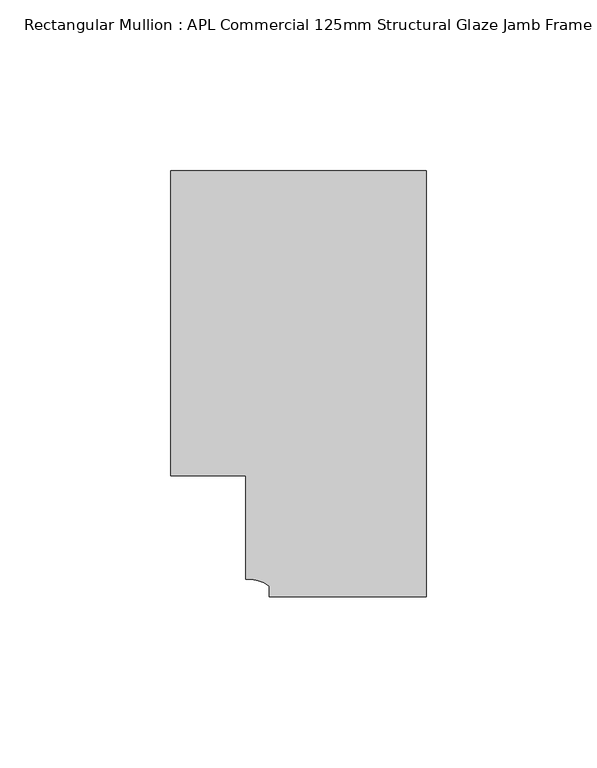
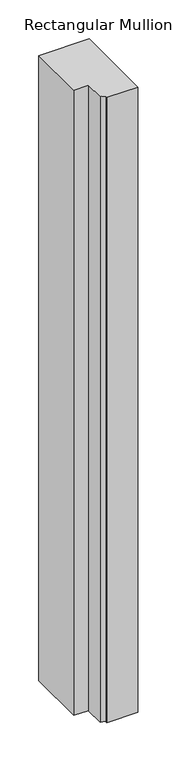
"""IFC4 building model written with IfcOpenShell, lengths in millimetres: member geometry, Rectangular Mullion : APL Commercial 125mm Structural Glaze Jamb Frame (left)."""

from ifc_helpers import new_model, si_unit, point, frame, frame_2d, origin, place, context, project, spatial, polyline, circle_curve, trimmed, segment, composite_curve, outline, extrude, source, transform, mapped, element, save


def rectangular_mullion_apl_commercial_125mm_structural_glaze_ae8f00dc(model_context):
    return source(origin(), model_context, "Body", "SweptSolid", [
        extrude(outline(composite_curve([segment(polyline([(0.0, -20.5), (-45.9999842, -20.5), (-45.9999842, -17.3125325)]), True, "CONTINUOUS"), segment(trimmed(circle_curve(frame_2d((-52.1098019, -25.7981812)), 10.4563907), [point((-45.9999842, -17.3125325))], [point((-52.9999391, -15.3797475))], True, "CARTESIAN"), True, "CONTINUOUS"), segment(polyline([(-52.9999391, -15.3797475), (-52.9999391, 15.0000829), (-75.0, 15.0000829), (-75.0, 104.5), (0.0, 104.5), (0.0, -20.5)]), True, "CONTINUOUS")], self_intersect=False)), frame((0.0, 0.0, -983.346945), z_axis=(0.0, 0.0, 1.0), x_axis=(1.0, 0.0, 0.0)), (0.0, 0.0, 1.0), 983.346945),
    ])


if __name__ == "__main__":
    model = new_model("IFC4")
    model_context = context("Model", 3, world=origin())
    ifc_project = project(units=[si_unit("LENGTHUNIT", "METRE", prefix="MILLI")], contexts=[model_context])
    site = spatial("IfcSite", under=ifc_project)
    building = spatial("IfcBuilding", under=site)
    placement = place(None, origin())
    rectangular_mullion_apl_commercial_125mm_structural_glaze_shape = rectangular_mullion_apl_commercial_125mm_structural_glaze_ae8f00dc(model_context)
    element("IfcMember", 1, ObjectType="Rectangular Mullion : APL Commercial 125mm Structural Glaze Jamb Frame (left)", at=placement, inside=building, context=model_context, shape_type="MappedRepresentation", body=[
        mapped(rectangular_mullion_apl_commercial_125mm_structural_glaze_shape, transform((0.0, 0.0, 0.0), x_axis=(1.0, 0.0, 0.0), y_axis=(0.0, 1.0, 0.0), z_axis=(0.0, 0.0, 1.0))),
    ])
    save(model, "model.ifc")
